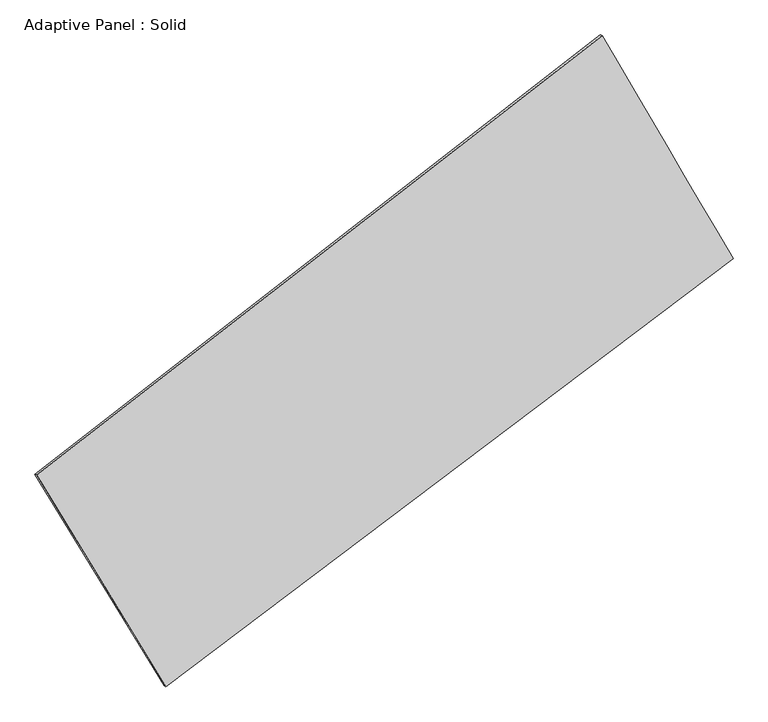
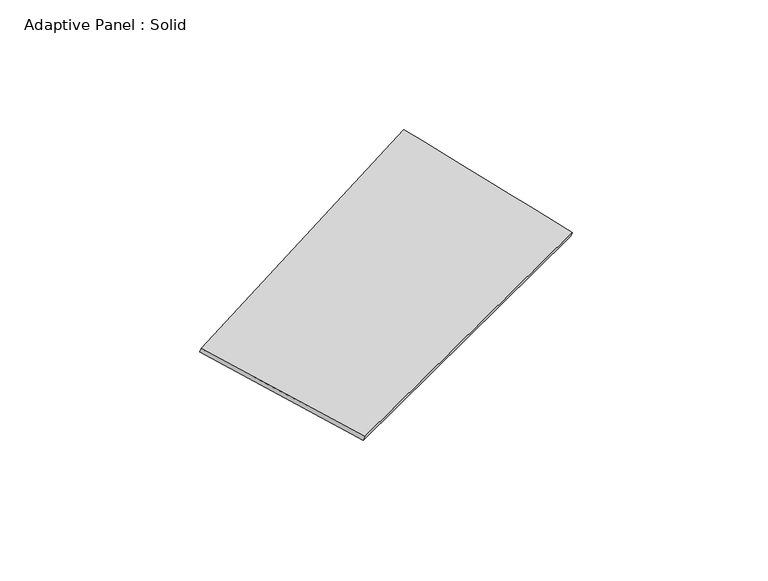
"""IFC4 building model written with IfcOpenShell, lengths in millimetres: plate geometry, Adaptive Panel : Solid."""

from ifc_helpers import new_model, si_unit, frame, origin, place, context, project, spatial, source, transform, mapped, element, save
from ifc_brep_helpers import plane_surface, spline_surface, advanced_brep


def adaptive_panel_solid_8e5ddedc(model_context):
    return source(origin(), model_context, "Body", "AdvancedBrep", [
        advanced_brep(
        [(1130.1638671, 2587.7398761, 714.5342797), (-3495.3786244, -1008.3218773, 1595.0486291), (-3480.7122685, -1014.7019707, 1642.4215371), (1144.8302229, 2581.3597826, 761.9071878), (-2439.2595032, -2742.0738718, 1103.7748398), (-2424.5931474, -2748.4539653, 1151.1477478), (2201.1836823, 762.4073001, 71.7647716), (2215.8500382, 756.0272067, 119.1376796)],
        [
            (0, 1),
            (1, 2),
            (2, 3),
            (3, 0),
            (1, 4),
            (4, 5),
            (5, 2),
            (4, 6),
            (6, 7),
            (7, 5),
            (6, 0),
            (3, 7),
        ],
        [
            plane_surface(frame((-1182.6073786, 789.7089994, 1154.7914544), z_axis=(-0.5561341205465817, 0.7833340405403587, 0.277673586958854), x_axis=(-0.7807158143179854, -0.6069563268111585, 0.14861640090417758))),
            plane_surface(frame((-2967.3190638, -1875.1978745, 1349.4117345), z_axis=(-0.8168680130870816, -0.5483321476981298, 0.17904888996003368), x_axis=(0.5056366438574835, -0.8300659672069381, -0.23520645074774393))),
            plane_surface(frame((-119.0379104, -989.8332858, 587.7698057), z_axis=(0.5399391234842067, -0.7957438168876126, -0.2743310423853639), x_axis=(0.7857245313990379, 0.5933822948583898, -0.17474098805475857))),
            plane_surface(frame((1665.6737747, 1675.0735881, 393.1495257), z_axis=(0.8193110642838205, 0.5442436383944858, -0.18035587600421019), x_axis=(-0.48422917051580366, 0.8252688387096526, 0.290608764968296))),
            spline_surface(1, 1, [[(-3480.7122685, -1014.7019707, 1642.4215371), (1144.8302229, 2581.3597826, 761.9071878)], [(-2424.5931474, -2748.4539653, 1151.1477478), (2215.8500382, 756.0272067, 119.1376796)]], [2, 2], [2, 2], [0.0, 1.0], [0.0, 1.0]),
            spline_surface(1, 1, [[(2201.1836823, 762.4073001, 71.7647716), (1130.1638671, 2587.7398761, 714.5342797)], [(-2439.2595032, -2742.0738718, 1103.7748398), (-3495.3786244, -1008.3218773, 1595.0486291)]], [2, 2], [2, 2], [0.0, 1.0], [0.0, 1.0]),
        ],
        [
            (0, [[1, 2, 3, 4]]),
            (1, [[5, 6, 7, -2]]),
            (2, [[8, 9, 10, -6]]),
            (3, [[11, -4, 12, -9]]),
            (4, [[-3, -7, -10, -12]]),
            (5, [[-11, -8, -5, -1]]),
        ],
    ),
    ])


if __name__ == "__main__":
    model = new_model("IFC4")
    model_context = context("Model", 3, world=origin())
    ifc_project = project(units=[si_unit("LENGTHUNIT", "METRE", prefix="MILLI")], contexts=[model_context])
    site = spatial("IfcSite", under=ifc_project)
    building = spatial("IfcBuilding", under=site)
    placement = place(None, origin())
    adaptive_panel_solid_shape = adaptive_panel_solid_8e5ddedc(model_context)
    element("IfcPlate", 1, ObjectType="Adaptive Panel : Solid", at=placement, inside=building, context=model_context, shape_type="MappedRepresentation", body=[
        mapped(adaptive_panel_solid_shape, transform((0.0, 0.0, 0.0), x_axis=(1.0, 0.0, 0.0), y_axis=(0.0, 1.0, 0.0), z_axis=(0.0, 0.0, 1.0))),
    ])
    save(model, "model.ifc")
